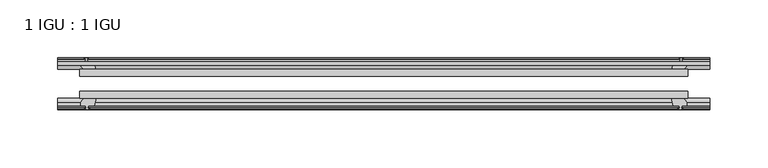
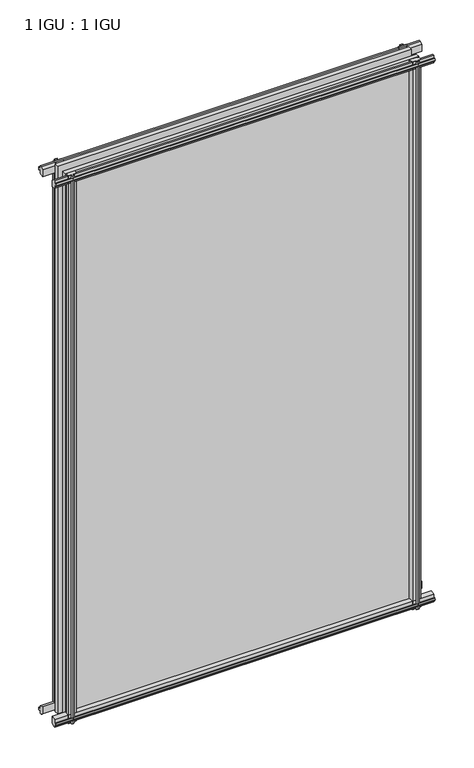
"""IFC4 building model written with IfcOpenShell, lengths in millimetres: plate geometry, 1 IGU : 1 IGU."""

from ifc_helpers import new_model, si_unit, frame, origin, place, context, project, spatial, polyline, outline, extrude, source, transform, mapped, element, save


def plate_1_igu_1_igu_f9100092(model_context):
    return source(origin(), model_context, "Body", "SweptSolid", [
        extrude(outline(polyline([(-263.536306, -38.6468937), (263.536306, -38.6468937), (263.536306, -44.9460938), (-263.536306, -44.9460938), (-263.536306, -38.6468937)])), frame((0.0, 0.0, -12.7), z_axis=(0.0, 0.0, 1.0), x_axis=(1.0, 0.0, 0.0)), (0.0, 0.0, 1.0), 863.5872928),
        extrude(outline(polyline([(-263.536306, -19.5460937), (263.536306, -19.5460937), (263.536306, -25.8960938), (-263.536306, -25.8960938), (-263.536306, -19.5460937)])), frame((0.0, 0.0, -12.7), z_axis=(0.0, 0.0, 1.0), x_axis=(1.0, 0.0, 0.0)), (0.0, 0.0, 1.0), 863.5872928),
        extrude(outline(polyline([(-44.9460937, 1.7177181), (-44.9460937, -9.1036578), (-48.3496937, -11.938), (-51.2960937, -11.938), (-51.2960937, -7.493), (-53.6762907, -7.112), (-53.2163575, -8.5275291), (-54.0175717, -8.5275291), (-54.7250937, -6.35), (-54.0175717, -4.1724709), (-53.2163575, -4.1724709), (-53.6762907, -5.588), (-51.2960937, -5.207), (-51.2960937, 0.0), (-44.9460937, 1.7177181)])), frame((-282.586306, 0.0, 0.0), z_axis=(1.0, 0.0, 0.0), x_axis=(0.0, 1.0, 0.0)), (0.0, 0.0, 1.0), 565.1726121),
        extrude(outline(polyline([(-13.1960937, -12.4587), (-16.1424937, -12.4587), (-19.5460937, -9.6243578), (-19.5460937, 1.1970181), (-13.1960937, -0.5207), (-13.1960937, -5.7277), (-10.8158968, -6.1087), (-11.27583, -4.6931709), (-10.4746158, -4.6931709), (-9.7670937, -6.8707), (-10.4746158, -9.0482291), (-11.27583, -9.0482291), (-10.8158968, -7.6327), (-13.1960937, -8.0137), (-13.1960937, -12.4587)])), frame((-282.586306, 0.0, 0.0), z_axis=(1.0, 0.0, 0.0), x_axis=(0.0, 1.0, 0.0)), (0.0, 0.0, 1.0), 565.1726121),
        extrude(outline(polyline([(-51.2960937, 850.1252928), (-48.3496937, 850.1252928), (-44.9460937, 847.2909506), (-44.9460937, 836.4695747), (-51.2960937, 838.1872928), (-51.2960937, 843.3942928), (-53.6762907, 843.7752928), (-53.2163575, 842.3597637), (-54.0175717, 842.3597637), (-54.7250937, 844.5372928), (-54.0175717, 846.7148218), (-53.2163575, 846.7148218), (-53.6762907, 845.2992928), (-51.2960937, 845.6802928), (-51.2960937, 850.1252928)])), frame((-282.586306, 0.0, 0.0), z_axis=(1.0, 0.0, 0.0), x_axis=(0.0, 1.0, 0.0)), (0.0, 0.0, 1.0), 565.1726121),
        extrude(outline(polyline([(-19.5460937, 836.9902747), (-19.5460937, 847.8116506), (-16.1424937, 850.6459928), (-13.1960937, 850.6459928), (-13.1960937, 846.2009928), (-10.8158968, 845.8199928), (-11.27583, 847.2355218), (-10.4746158, 847.2355218), (-9.7670937, 845.0579928), (-10.4746158, 842.8804637), (-11.27583, 842.8804637), (-10.8158968, 844.2959928), (-13.1960937, 843.9149928), (-13.1960937, 838.7079928), (-19.5460937, 836.9902747)])), frame((-282.586306, 0.0, 0.0), z_axis=(1.0, 0.0, 0.0), x_axis=(0.0, 1.0, 0.0)), (0.0, 0.0, 1.0), 565.1726121),
        extrude(outline(polyline([(249.639288, -19.5460938), (251.357006, -13.1960938), (256.564006, -13.1960938), (256.945006, -10.8158968), (255.529477, -11.27583), (255.529477, -10.4746158), (257.707006, -9.7670938), (259.8845351, -10.4746158), (259.8845351, -11.27583), (258.469006, -10.8158968), (258.850006, -13.1960938), (263.295006, -13.1960938), (263.295006, -16.1424938), (260.4606639, -19.5460938), (249.639288, -19.5460938)])), frame((0.0, 0.0, -12.7), z_axis=(0.0, 0.0, 1.0), x_axis=(1.0, 0.0, 0.0)), (0.0, 0.0, 1.0), 863.587293),
        extrude(outline(polyline([(249.118588, -44.9460938), (259.9399639, -44.9460938), (262.774306, -48.3496938), (262.774306, -51.2960938), (258.329306, -51.2960938), (257.948306, -53.6762907), (259.3638351, -53.2163575), (259.3638351, -54.0175717), (257.186306, -54.7250938), (255.008777, -54.0175717), (255.008777, -53.2163575), (256.424306, -53.6762907), (256.043306, -51.2960938), (250.836306, -51.2960938), (249.118588, -44.9460938)])), frame((0.0, 0.0, -12.7), z_axis=(0.0, 0.0, 1.0), x_axis=(1.0, 0.0, 0.0)), (0.0, 0.0, 1.0), 863.587293),
        extrude(outline(polyline([(-257.707006, -9.7670937), (-255.529477, -10.4746158), (-255.529477, -11.27583), (-256.945006, -10.8158968), (-256.564006, -13.1960937), (-251.357006, -13.1960937), (-249.639288, -19.5460937), (-260.4606639, -19.5460937), (-263.295006, -16.1424937), (-263.295006, -13.1960937), (-258.850006, -13.1960937), (-258.469006, -10.8158968), (-259.8845351, -11.27583), (-259.8845351, -10.4746158), (-257.707006, -9.7670937)])), frame((0.0, 0.0, -12.7), z_axis=(0.0, 0.0, 1.0), x_axis=(1.0, 0.0, 0.0)), (0.0, 0.0, 1.0), 863.587293),
        extrude(outline(polyline([(-262.774306, -48.3496937), (-259.9399639, -44.9460937), (-249.118588, -44.9460937), (-250.836306, -51.2960937), (-256.043306, -51.2960937), (-256.424306, -53.6762907), (-255.008777, -53.2163575), (-255.008777, -54.0175717), (-257.186306, -54.7250937), (-259.3638351, -54.0175717), (-259.3638351, -53.2163575), (-257.948306, -53.6762907), (-258.329306, -51.2960937), (-262.774306, -51.2960937), (-262.774306, -48.3496937)])), frame((0.0, 0.0, -12.7), z_axis=(0.0, 0.0, 1.0), x_axis=(1.0, 0.0, 0.0)), (0.0, 0.0, 1.0), 863.587293),
    ])


if __name__ == "__main__":
    model = new_model("IFC4")
    model_context = context("Model", 3, world=origin())
    ifc_project = project(units=[si_unit("LENGTHUNIT", "METRE", prefix="MILLI")], contexts=[model_context])
    site = spatial("IfcSite", under=ifc_project)
    building = spatial("IfcBuilding", under=site)
    placement = place(None, origin())
    plate_1_igu_1_igu_shape = plate_1_igu_1_igu_f9100092(model_context)
    element("IfcPlate", 1, ObjectType="1 IGU : 1 IGU", at=placement, inside=building, context=model_context, shape_type="MappedRepresentation", body=[
        mapped(plate_1_igu_1_igu_shape, transform((0.0, 0.0, 0.0), x_axis=(1.0, 0.0, 0.0), y_axis=(0.0, 1.0, 0.0), z_axis=(0.0, 0.0, 1.0))),
    ])
    save(model, "model.ifc")
